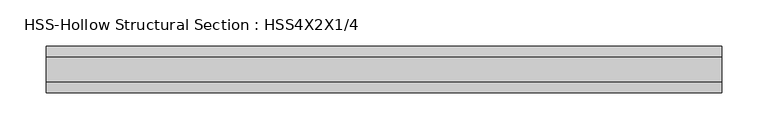
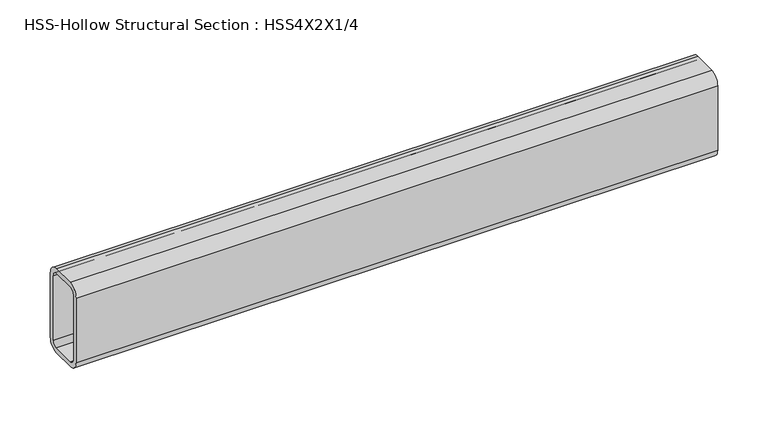
"""IFC4 building model written with IfcOpenShell, lengths in millimetres: beam geometry, HSS-Hollow Structural Section : HSS4X2X1/4."""

from ifc_helpers import new_model, si_unit, point, frame, frame_2d, origin, place, context, project, spatial, polyline, circle_curve, trimmed, segment, composite_curve, outline, extrude, source, transform, mapped, element, save


def hss_hollow_structural_section_hss4x2x1_4_48363992(model_context):
    return source(origin(), model_context, "Body", "SweptSolid", [
        extrude(outline(composite_curve([segment(polyline([(25.4, 38.9636), (25.4, -38.9636)]), True, "CONTINUOUS"), segment(trimmed(circle_curve(frame_2d((13.5636, -38.9636)), 11.8364), [point((25.4, -38.9636))], [point((13.5636, -50.8))], False, "CARTESIAN"), True, "CONTINUOUS"), segment(polyline([(13.5636, -50.8), (-13.5636, -50.8)]), True, "CONTINUOUS"), segment(trimmed(circle_curve(frame_2d((-13.5636, -38.9636)), 11.8364), [point((-13.5636, -50.8))], [point((-25.4, -38.9636))], False, "CARTESIAN"), True, "CONTINUOUS"), segment(polyline([(-25.4, -38.9636), (-25.4, 38.9636)]), True, "CONTINUOUS"), segment(trimmed(circle_curve(frame_2d((-13.5636, 38.9636)), 11.8364), [point((-25.4, 38.9636))], [point((-13.5636, 50.8))], False, "CARTESIAN"), True, "CONTINUOUS"), segment(polyline([(-13.5636, 50.8), (13.5636, 50.8)]), True, "CONTINUOUS"), segment(trimmed(circle_curve(frame_2d((13.5636, 38.9636)), 11.8364), [point((13.5636, 50.8))], [point((25.4, 38.9636))], False, "CARTESIAN"), True, "CONTINUOUS")], self_intersect=False), holes=[composite_curve([segment(trimmed(circle_curve(frame_2d((-13.5636, 38.9636)), 5.9182), [point((-13.5636, 44.8818))], [point((-19.4818, 38.9636))], True, "CARTESIAN"), True, "CONTINUOUS"), segment(polyline([(-19.4818, 38.9636), (-19.4818, -38.9636)]), True, "CONTINUOUS"), segment(trimmed(circle_curve(frame_2d((-13.5636, -38.9636)), 5.9182), [point((-19.4818, -38.9636))], [point((-13.5636, -44.8818))], True, "CARTESIAN"), True, "CONTINUOUS"), segment(polyline([(-13.5636, -44.8818), (13.5636, -44.8818)]), True, "CONTINUOUS"), segment(trimmed(circle_curve(frame_2d((13.5636, -38.9636)), 5.9182), [point((13.5636, -44.8818))], [point((19.4818, -38.9636))], True, "CARTESIAN"), True, "CONTINUOUS"), segment(polyline([(19.4818, -38.9636), (19.4818, 38.9636)]), True, "CONTINUOUS"), segment(trimmed(circle_curve(frame_2d((13.5636, 38.9636)), 5.9182), [point((19.4818, 38.9636))], [point((13.5636, 44.8818))], True, "CARTESIAN"), True, "CONTINUOUS"), segment(polyline([(13.5636, 44.8818), (-13.5636, 44.8818)]), True, "CONTINUOUS")], self_intersect=False)]), frame((-376.8465669, 0.0, 0.0), z_axis=(1.0, 0.0, 0.0), x_axis=(0.0, 1.0, 0.0)), (0.0, 0.0, 1.0), 733.7566179),
    ])


if __name__ == "__main__":
    model = new_model("IFC4")
    model_context = context("Model", 3, world=origin())
    ifc_project = project(units=[si_unit("LENGTHUNIT", "METRE", prefix="MILLI")], contexts=[model_context])
    site = spatial("IfcSite", under=ifc_project)
    building = spatial("IfcBuilding", under=site)
    placement = place(None, origin())
    hss_hollow_structural_section_hss4x2x1_4_shape = hss_hollow_structural_section_hss4x2x1_4_48363992(model_context)
    element("IfcBeam", 1, ObjectType="HSS-Hollow Structural Section : HSS4X2X1/4", at=placement, inside=building, context=model_context, shape_type="MappedRepresentation", body=[
        mapped(hss_hollow_structural_section_hss4x2x1_4_shape, transform((0.0, 0.0, 0.0), x_axis=(1.0, 0.0, 0.0), y_axis=(0.0, 1.0, 0.0), z_axis=(0.0, 0.0, 1.0))),
    ])
    save(model, "model.ifc")
